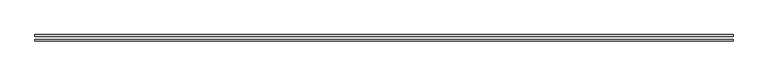
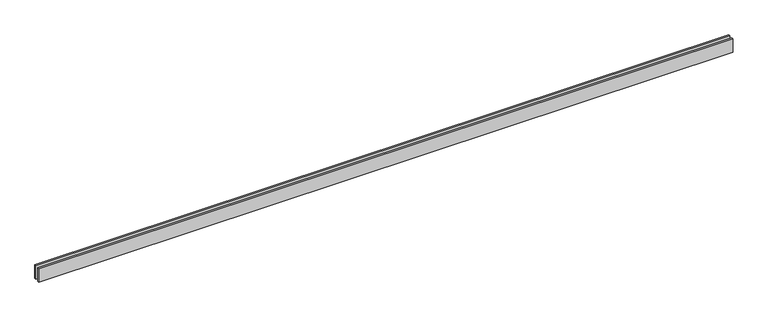
"""IFC4 building model written with IfcOpenShell, lengths in millimetres: proxy geometry."""

from ifc_helpers import new_model, si_unit, origin, origin_with_axes, place, context, project, spatial, polyline, outline, extrude, source, transform, mapped, element, save


def generic_models_1d4abe7a(model_context):
    return source(origin(), model_context, "Body", "SweptSolid", [
        extrude(outline(polyline([(12135.0, 25.0), (0.0, 25.0), (0.0, 55.0), (12135.0, 55.0), (12135.0, 25.0)])), origin_with_axes(), (0.0, 0.0, 1.0), 250.0),
        extrude(outline(polyline([(12135.0, -55.0), (0.0, -55.0), (0.0, -25.0), (12135.0, -25.0), (12135.0, -55.0)])), origin_with_axes(), (0.0, 0.0, 1.0), 250.0),
    ])


if __name__ == "__main__":
    model = new_model("IFC4")
    model_context = context("Model", 3, world=origin())
    ifc_project = project(units=[si_unit("LENGTHUNIT", "METRE", prefix="MILLI")], contexts=[model_context])
    site = spatial("IfcSite", under=ifc_project)
    building = spatial("IfcBuilding", under=site)
    placement = place(None, origin())
    generic_models_shape = generic_models_1d4abe7a(model_context)
    element("IfcBuildingElementProxy", 1, Name="Generic Models", at=placement, inside=building, context=model_context, shape_type="MappedRepresentation", body=[
        mapped(generic_models_shape, transform((0.0, 0.0, 0.0), x_axis=(1.0, 0.0, 0.0), y_axis=(0.0, 1.0, 0.0), z_axis=(0.0, 0.0, 1.0))),
    ])
    save(model, "model.ifc")
